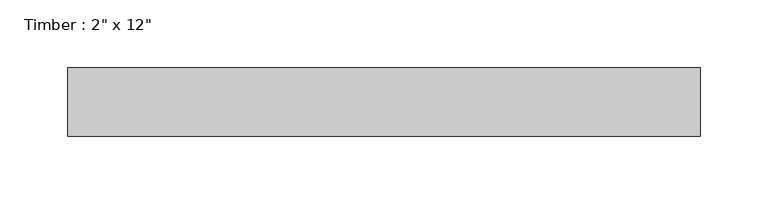
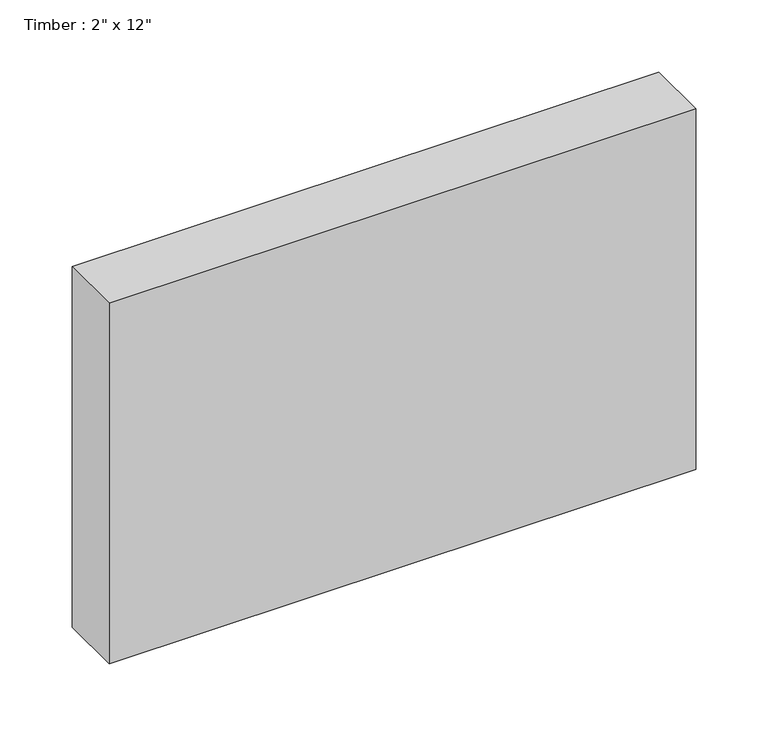
"""IFC4 building model written with IfcOpenShell, lengths in millimetres: beam geometry."""

from ifc_helpers import new_model, si_unit, frame, origin, place, context, project, spatial, polyline, outline, extrude, source, transform, mapped, element, save


def beam_38c11a0d(model_context):
    return source(origin(), model_context, "Body", "SweptSolid", [
        extrude(outline(polyline([(234.246106, 25.4), (234.246106, -25.4), (-234.246106, -25.4), (-234.246106, 25.4), (234.246106, 25.4)])), frame((0.0, 0.0, -152.4), z_axis=(0.0, 0.0, 1.0), x_axis=(1.0, 0.0, 0.0)), (0.0, 0.0, 1.0), 304.8),
    ])


if __name__ == "__main__":
    model = new_model("IFC4")
    model_context = context("Model", 3, world=origin())
    ifc_project = project(units=[si_unit("LENGTHUNIT", "METRE", prefix="MILLI")], contexts=[model_context])
    site = spatial("IfcSite", under=ifc_project)
    building = spatial("IfcBuilding", under=site)
    placement = place(None, origin())
    beam_shape = beam_38c11a0d(model_context)
    element("IfcBeam", 1, ObjectType="Timber : 2\" x 12\"", at=placement, inside=building, context=model_context, shape_type="MappedRepresentation", body=[
        mapped(beam_shape, transform((0.0, 0.0, 0.0), x_axis=(1.0, 0.0, 0.0), y_axis=(0.0, 1.0, 0.0), z_axis=(0.0, 0.0, 1.0))),
    ])
    save(model, "model.ifc")
